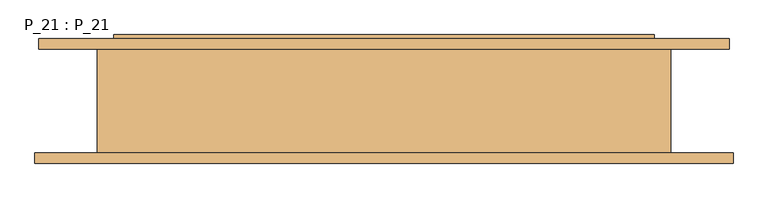
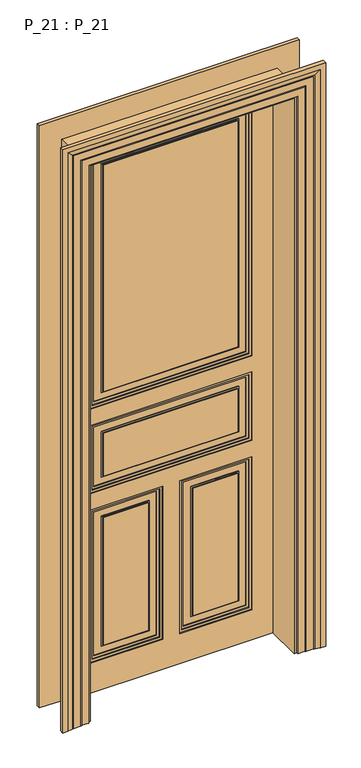
"""IFC4 building model written with IfcOpenShell, lengths in millimetres: door geometry, P_21 : P_21."""

from ifc_helpers import new_model, si_unit, frame, origin, origin_with_axes, place, context, project, spatial, polyline, outline, extrude, faceted_brep, source, transform, mapped, element, save


def p_21_p_21_d9c0b244(model_context):
    return source(origin(), model_context, "Body", "SolidModel", [
        extrude(outline(polyline([(790.0, -330.0), (130.0, -330.0), (130.0, -35.0), (790.0, -35.0), (790.0, -330.0)]), holes=[polyline([(780.0, -320.0), (780.0, -45.0), (140.0, -45.0), (140.0, -320.0), (780.0, -320.0)])]), frame((0.0, 72.0, 0.0), z_axis=(0.0, 1.0, 0.0), x_axis=(0.0, 0.0, 1.0)), (0.0, 0.0, 1.0), 8.0),
        extrude(outline(polyline([(130.0, 330.0), (790.0, 330.0), (790.0, 35.0), (130.0, 35.0), (130.0, 330.0)]), holes=[polyline([(780.0, 45.0), (780.0, 320.0), (140.0, 320.0), (140.0, 45.0), (780.0, 45.0)])]), frame((0.0, 72.0, 0.0), z_axis=(0.0, 1.0, 0.0), x_axis=(0.0, 0.0, 1.0)), (0.0, 0.0, 1.0), 8.0),
        extrude(outline(polyline([(1155.0, -330.0), (860.0, -330.0), (860.0, 330.0), (1155.0, 330.0), (1155.0, -330.0)]), holes=[polyline([(1145.0, -320.0), (1145.0, 320.0), (870.0, 320.0), (870.0, -320.0), (1145.0, -320.0)])]), frame((0.0, 72.0, 0.0), z_axis=(0.0, 1.0, 0.0), x_axis=(0.0, 0.0, 1.0)), (0.0, 0.0, 1.0), 8.0),
        extrude(outline(polyline([(2310.0, 330.0), (2310.0, -330.0), (1225.0, -330.0), (1225.0, 330.0), (2310.0, 330.0)]), holes=[polyline([(2300.0, 320.0), (1235.0, 320.0), (1235.0, -320.0), (2300.0, -320.0), (2300.0, 320.0)])]), frame((0.0, 72.0, 0.0), z_axis=(0.0, 1.0, 0.0), x_axis=(0.0, 0.0, 1.0)), (0.0, 0.0, 1.0), 8.0),
        extrude(outline(polyline([(0.0, 415.0), (2395.0, 415.0), (2395.0, -415.0), (0.0, -415.0), (0.0, 415.0)]), holes=[polyline([(790.0, -35.0), (130.0, -35.0), (130.0, -330.0), (790.0, -330.0), (790.0, -35.0)]), polyline([(130.0, 35.0), (790.0, 35.0), (790.0, 330.0), (130.0, 330.0), (130.0, 35.0)]), polyline([(1155.0, 330.0), (860.0, 330.0), (860.0, -330.0), (1155.0, -330.0), (1155.0, 330.0)]), polyline([(1225.0, 330.0), (1225.0, -330.0), (2310.0, -330.0), (2310.0, 330.0), (1225.0, 330.0)])]), frame((0.0, 68.0, 0.0), z_axis=(0.0, 1.0, 0.0), x_axis=(0.0, 0.0, 1.0)), (0.0, 0.0, 1.0), 12.0),
        extrude(outline(polyline([(420.0, 80.0), (-420.0, 80.0), (-420.0, 90.0), (420.0, 90.0), (420.0, 80.0)])), origin_with_axes(), (0.0, 0.0, 1.0), 2400.0),
        extrude(outline(polyline([(790.0, -330.0), (130.0, -330.0), (130.0, -35.0), (790.0, -35.0), (790.0, -330.0)]), holes=[polyline([(780.0, -320.0), (780.0, -45.0), (140.0, -45.0), (140.0, -320.0), (780.0, -320.0)])]), frame((0.0, 90.0, 0.0), z_axis=(0.0, 1.0, 0.0), x_axis=(0.0, 0.0, 1.0)), (0.0, 0.0, 1.0), 8.0),
        extrude(outline(polyline([(130.0, 330.0), (790.0, 330.0), (790.0, 35.0), (130.0, 35.0), (130.0, 330.0)]), holes=[polyline([(780.0, 45.0), (780.0, 320.0), (140.0, 320.0), (140.0, 45.0), (780.0, 45.0)])]), frame((0.0, 90.0, 0.0), z_axis=(0.0, 1.0, 0.0), x_axis=(0.0, 0.0, 1.0)), (0.0, 0.0, 1.0), 8.0),
        extrude(outline(polyline([(1155.0, -330.0), (860.0, -330.0), (860.0, 330.0), (1155.0, 330.0), (1155.0, -330.0)]), holes=[polyline([(1145.0, -320.0), (1145.0, 320.0), (870.0, 320.0), (870.0, -320.0), (1145.0, -320.0)])]), frame((0.0, 90.0, 0.0), z_axis=(0.0, 1.0, 0.0), x_axis=(0.0, 0.0, 1.0)), (0.0, 0.0, 1.0), 8.0),
        extrude(outline(polyline([(1225.0, 330.0), (2310.0, 330.0), (2310.0, -330.0), (1225.0, -330.0), (1225.0, 330.0)]), holes=[polyline([(2300.0, -320.0), (2300.0, 320.0), (1235.0, 320.0), (1235.0, -320.0), (2300.0, -320.0)])]), frame((0.0, 90.0, 0.0), z_axis=(0.0, 1.0, 0.0), x_axis=(0.0, 0.0, 1.0)), (0.0, 0.0, 1.0), 8.0),
        faceted_brep([(420.0, 90.0, 0.0), (420.0, 90.0, 2400.0), (-420.0, 90.0, 2400.0), (-420.0, 90.0, 0.0), (-35.0, 90.0, 790.0), (-35.0, 90.0, 130.0), (-330.0, 90.0, 130.0), (-330.0, 90.0, 790.0), (35.0, 90.0, 130.0), (35.0, 90.0, 790.0), (330.0, 90.0, 790.0), (330.0, 90.0, 130.0), (330.0, 90.0, 1155.0), (330.0, 90.0, 860.0), (-330.0, 90.0, 860.0), (-330.0, 90.0, 1155.0), (330.0, 90.0, 1225.0), (-330.0, 90.0, 1225.0), (-330.0, 90.0, 2310.0), (330.0, 90.0, 2310.0), (-35.0, 102.0, 790.0), (-35.0, 102.0, 130.0), (-330.0, 102.0, 130.0), (-330.0, 102.0, 790.0), (35.0, 102.0, 130.0), (35.0, 102.0, 790.0), (330.0, 102.0, 790.0), (330.0, 102.0, 130.0), (420.0, 95.0, 0.0), (420.0, 95.0, 2400.0), (-420.0, 95.0, 2400.0), (-420.0, 95.0, 0.0), (-415.0, 95.0, 0.0), (-415.0, 102.0, 0.0), (415.0, 102.0, 0.0), (415.0, 95.0, 0.0), (330.0, 102.0, 1155.0), (330.0, 102.0, 860.0), (-330.0, 102.0, 860.0), (-330.0, 102.0, 1155.0), (-415.0, 102.0, 2395.0), (415.0, 102.0, 2395.0), (330.0, 102.0, 1225.0), (330.0, 102.0, 2310.0), (-330.0, 102.0, 2310.0), (-330.0, 102.0, 1225.0), (-415.0, 95.0, 2395.0), (415.0, 95.0, 2395.0)], [[[0, 1, 2, 3], [4, 5, 6, 7], [8, 9, 10, 11], [12, 13, 14, 15], [16, 17, 18, 19]], [[5, 4, 20, 21]], [[6, 5, 21, 22]], [[7, 6, 22, 23]], [[4, 7, 23, 20]], [[9, 8, 24, 25]], [[10, 9, 25, 26]], [[11, 10, 26, 27]], [[8, 11, 27, 24]], [[0, 28, 29, 1]], [[3, 2, 30, 31]], [[0, 3, 31, 32, 33, 34, 35, 28]], [[13, 12, 36, 37]], [[14, 13, 37, 38]], [[15, 14, 38, 39]], [[12, 15, 39, 36]], [[34, 33, 40, 41], [20, 23, 22, 21], [24, 27, 26, 25], [36, 39, 38, 37], [42, 43, 44, 45]], [[40, 33, 32, 46]], [[34, 41, 47, 35]], [[28, 35, 47, 46, 32, 31, 30, 29]], [[19, 18, 44, 43]], [[16, 19, 43, 42]], [[18, 17, 45, 44]], [[1, 29, 30, 2]], [[41, 40, 46, 47]], [[17, 16, 42, 45]]]),
        faceted_brep([(530.0, 80.0, 0.0), (440.0, 80.0, 0.0), (440.0, -80.0, 0.0), (536.0, -80.0, 0.0), (536.0, -96.0, 0.0), (516.0, -96.0, 0.0), (496.0, -92.0291126, 0.0), (496.0, -91.0291126, 0.0), (491.0, -91.0291126, 0.0), (491.0, -90.0291126, 0.0), (461.0, -90.0291126, 0.0), (461.0, -89.0291126, 0.0), (456.0, -89.0291126, 0.0), (456.0, -88.0291126, 0.0), (426.0, -88.0291126, 0.0), (426.0, -80.0, 0.0), (416.0, -80.0, 0.0), (416.0, 80.0, 0.0), (426.0, 80.0, 0.0), (426.0, 88.0291126, 0.0), (456.0, 88.0291126, 0.0), (456.0, 89.0291126, 0.0), (461.0, 89.0291126, 0.0), (461.0, 90.0291126, 0.0), (485.0, 90.0291126, 0.0), (485.0, 91.0291126, 0.0), (490.0, 91.0291126, 0.0), (490.0, 92.0291126, 0.0), (510.0, 96.0, 0.0), (530.0, 96.0, 0.0), (530.0, 80.0, 2510.0), (-530.0, 80.0, 2510.0), (-530.0, 80.0, 0.0), (-440.0, 80.0, 0.0), (-440.0, 80.0, 2420.0), (440.0, 80.0, 2420.0), (440.0, -80.0, 2420.0), (-440.0, -80.0, 2420.0), (-440.0, -80.0, 0.0), (-536.0, -80.0, 0.0), (-536.0, -80.0, 2516.0), (536.0, -80.0, 2516.0), (536.0, -96.0, 2516.0), (-536.0, -96.0, 2516.0), (-536.0, -96.0, 0.0), (-516.0, -96.0, 0.0), (-516.0, -96.0, 2496.0), (516.0, -96.0, 2496.0), (496.0, -92.0291126, 2476.0), (496.0, -91.0291126, 2476.0), (-496.0, -91.0291126, 2476.0), (-496.0, -91.0291126, 0.0), (-491.0, -91.0291126, 0.0), (-491.0, -91.0291126, 2471.0), (491.0, -91.0291126, 2471.0), (491.0, -90.0291126, 2471.0), (-491.0, -90.0291126, 2471.0), (-491.0, -90.0291126, 0.0), (-461.0, -90.0291126, 0.0), (-461.0, -90.0291126, 2441.0), (461.0, -90.0291126, 2441.0), (461.0, -89.0291126, 2441.0), (-461.0, -89.0291126, 2441.0), (-461.0, -89.0291126, 0.0), (-456.0, -89.0291126, 0.0), (-456.0, -89.0291126, 2436.0), (456.0, -89.0291126, 2436.0), (456.0, -88.0291126, 2436.0), (-456.0, -88.0291126, 2436.0), (-456.0, -88.0291126, 0.0), (-426.0, -88.0291126, 0.0), (-426.0, -88.0291126, 2406.0), (426.0, -88.0291126, 2406.0), (426.0, -80.0, 2406.0), (-426.0, -80.0, 2406.0), (-426.0, -80.0, 0.0), (-416.0, -80.0, 0.0), (-416.0, -80.0, 2396.0), (416.0, -80.0, 2396.0), (416.0, 80.0, 2396.0), (-416.0, 80.0, 2396.0), (-416.0, 80.0, 0.0), (-426.0, 80.0, 0.0), (-426.0, 80.0, 2406.0), (426.0, 80.0, 2406.0), (426.0, 88.0291126, 2406.0), (-426.0, 88.0291126, 2406.0), (-426.0, 88.0291126, 0.0), (-456.0, 88.0291126, 0.0), (-456.0, 88.0291126, 2436.0), (456.0, 88.0291126, 2436.0), (456.0, 89.0291126, 2436.0), (-456.0, 89.0291126, 2436.0), (-456.0, 89.0291126, 0.0), (-461.0, 89.0291126, 0.0), (-461.0, 89.0291126, 2441.0), (461.0, 89.0291126, 2441.0), (461.0, 90.0291126, 2441.0), (-461.0, 90.0291126, 2441.0), (-461.0, 90.0291126, 0.0), (-485.0, 90.0291126, 0.0), (-485.0, 90.0291126, 2465.0), (485.0, 90.0291126, 2465.0), (485.0, 91.0291126, 2465.0), (-485.0, 91.0291126, 2465.0), (-485.0, 91.0291126, 0.0), (-490.0, 91.0291126, 0.0), (-490.0, 91.0291126, 2470.0), (490.0, 91.0291126, 2470.0), (490.0, 92.0291126, 2470.0), (510.0, 96.0, 2490.0), (-510.0, 96.0, 2490.0), (-510.0, 96.0, 0.0), (-530.0, 96.0, 0.0), (-530.0, 96.0, 2510.0), (530.0, 96.0, 2510.0), (-490.0, 92.0291126, 0.0), (-496.0, -92.0291126, 0.0), (-490.0, 92.0291126, 2470.0), (-496.0, -92.0291126, 2476.0)], [[[0, 1, 2, 3, 4, 5, 6, 7, 8, 9, 10, 11, 12, 13, 14, 15, 16, 17, 18, 19, 20, 21, 22, 23, 24, 25, 26, 27, 28, 29]], [[1, 0, 30, 31, 32, 33, 34, 35]], [[2, 1, 35, 36]], [[3, 2, 36, 37, 38, 39, 40, 41]], [[4, 3, 41, 42]], [[5, 4, 42, 43, 44, 45, 46, 47]], [[6, 5, 47, 48]], [[7, 6, 48, 49]], [[8, 7, 49, 50, 51, 52, 53, 54]], [[9, 8, 54, 55]], [[10, 9, 55, 56, 57, 58, 59, 60]], [[11, 10, 60, 61]], [[12, 11, 61, 62, 63, 64, 65, 66]], [[13, 12, 66, 67]], [[14, 13, 67, 68, 69, 70, 71, 72]], [[15, 14, 72, 73]], [[16, 15, 73, 74, 75, 76, 77, 78]], [[17, 16, 78, 79]], [[18, 17, 79, 80, 81, 82, 83, 84]], [[19, 18, 84, 85]], [[20, 19, 85, 86, 87, 88, 89, 90]], [[21, 20, 90, 91]], [[22, 21, 91, 92, 93, 94, 95, 96]], [[23, 22, 96, 97]], [[24, 23, 97, 98, 99, 100, 101, 102]], [[25, 24, 102, 103]], [[26, 25, 103, 104, 105, 106, 107, 108]], [[27, 26, 108, 109]], [[28, 27, 109, 110]], [[29, 28, 110, 111, 112, 113, 114, 115]], [[0, 29, 115, 30]], [[31, 114, 113, 32]], [[32, 113, 112, 116, 106, 105, 100, 99, 94, 93, 88, 87, 82, 81, 76, 75, 70, 69, 64, 63, 58, 57, 52, 51, 117, 45, 44, 39, 38, 33]], [[37, 34, 33, 38]], [[74, 71, 70, 75]], [[80, 77, 76, 81]], [[86, 83, 82, 87]], [[111, 118, 116, 112]], [[118, 107, 106, 116]], [[104, 101, 100, 105]], [[98, 95, 94, 99]], [[92, 89, 88, 93]], [[68, 65, 64, 69]], [[62, 59, 58, 63]], [[56, 53, 52, 57]], [[50, 119, 117, 51]], [[119, 46, 45, 117]], [[43, 40, 39, 44]], [[30, 115, 114, 31]], [[36, 35, 34, 37]], [[73, 72, 71, 74]], [[79, 78, 77, 80]], [[85, 84, 83, 86]], [[91, 90, 89, 92]], [[97, 96, 95, 98]], [[103, 102, 101, 104]], [[109, 108, 107, 118]], [[110, 109, 118, 111]], [[42, 41, 40, 43]], [[48, 47, 46, 119]], [[49, 48, 119, 50]], [[55, 54, 53, 56]], [[61, 60, 59, 62]], [[67, 66, 65, 68]]]),
        extrude(outline(polyline([(780.0, 45.0), (140.0, 45.0), (140.0, 320.0), (780.0, 320.0), (780.0, 45.0)]), holes=[polyline([(770.0, 55.0), (770.0, 310.0), (150.0, 310.0), (150.0, 55.0), (770.0, 55.0)])]), frame((0.0, 76.0, 0.0), z_axis=(0.0, 1.0, 0.0), x_axis=(0.0, 0.0, 1.0)), (0.0, 0.0, 1.0), 4.0),
        extrude(outline(polyline([(780.0, -320.0), (140.0, -320.0), (140.0, -45.0), (780.0, -45.0), (780.0, -320.0)]), holes=[polyline([(770.0, -310.0), (770.0, -55.0), (150.0, -55.0), (150.0, -310.0), (770.0, -310.0)])]), frame((0.0, 76.0, 0.0), z_axis=(0.0, 1.0, 0.0), x_axis=(0.0, 0.0, 1.0)), (0.0, 0.0, 1.0), 4.0),
        extrude(outline(polyline([(740.0, 85.0), (180.0, 85.0), (180.0, 280.0), (740.0, 280.0), (740.0, 85.0)]), holes=[polyline([(735.0, 90.0), (735.0, 275.0), (185.0, 275.0), (185.0, 90.0), (735.0, 90.0)])]), frame((0.0, 76.0, 0.0), z_axis=(0.0, 1.0, 0.0), x_axis=(0.0, 0.0, 1.0)), (0.0, 0.0, 1.0), 4.0),
        extrude(outline(polyline([(740.0, -280.0), (180.0, -280.0), (180.0, -85.0), (740.0, -85.0), (740.0, -280.0)]), holes=[polyline([(735.0, -275.0), (735.0, -90.0), (185.0, -90.0), (185.0, -275.0), (735.0, -275.0)])]), frame((0.0, 76.0, 0.0), z_axis=(0.0, 1.0, 0.0), x_axis=(0.0, 0.0, 1.0)), (0.0, 0.0, 1.0), 4.0),
        extrude(outline(polyline([(1145.0, -320.0), (870.0, -320.0), (870.0, 320.0), (1145.0, 320.0), (1145.0, -320.0)]), holes=[polyline([(1135.0, -310.0), (1135.0, 310.0), (880.0, 310.0), (880.0, -310.0), (1135.0, -310.0)])]), frame((0.0, 76.0, 0.0), z_axis=(0.0, 1.0, 0.0), x_axis=(0.0, 0.0, 1.0)), (0.0, 0.0, 1.0), 4.0),
        extrude(outline(polyline([(1105.0, -280.0), (910.0, -280.0), (910.0, 280.0), (1105.0, 280.0), (1105.0, -280.0)]), holes=[polyline([(1100.0, -275.0), (1100.0, 275.0), (915.0, 275.0), (915.0, -275.0), (1100.0, -275.0)])]), frame((0.0, 76.0, 0.0), z_axis=(0.0, 1.0, 0.0), x_axis=(0.0, 0.0, 1.0)), (0.0, 0.0, 1.0), 4.0),
        extrude(outline(polyline([(2300.0, 320.0), (2300.0, -320.0), (1235.0, -320.0), (1235.0, 320.0), (2300.0, 320.0)]), holes=[polyline([(2290.0, 310.0), (1245.0, 310.0), (1245.0, -310.0), (2290.0, -310.0), (2290.0, 310.0)])]), frame((0.0, 76.0, 0.0), z_axis=(0.0, 1.0, 0.0), x_axis=(0.0, 0.0, 1.0)), (0.0, 0.0, 1.0), 4.0),
        extrude(outline(polyline([(2260.0, 280.0), (2260.0, -280.0), (1275.0, -280.0), (1275.0, 280.0), (2260.0, 280.0)]), holes=[polyline([(2255.0, 275.0), (1280.0, 275.0), (1280.0, -275.0), (2255.0, -275.0), (2255.0, 275.0)])]), frame((0.0, 76.0, 0.0), z_axis=(0.0, 1.0, 0.0), x_axis=(0.0, 0.0, 1.0)), (0.0, 0.0, 1.0), 4.0),
        extrude(outline(polyline([(90.0, 80.0), (275.0, 80.0), (275.0, 72.0), (90.0, 72.0), (90.0, 80.0)])), frame((0.0, 0.0, 185.0), z_axis=(0.0, 0.0, 1.0), x_axis=(1.0, 0.0, 0.0)), (0.0, 0.0, 1.0), 550.0),
        extrude(outline(polyline([(-275.0, 80.0), (-90.0, 80.0), (-90.0, 72.0), (-275.0, 72.0), (-275.0, 80.0)])), frame((0.0, 0.0, 185.0), z_axis=(0.0, 0.0, 1.0), x_axis=(1.0, 0.0, 0.0)), (0.0, 0.0, 1.0), 550.0),
        extrude(outline(polyline([(-275.0, 80.0), (275.0, 80.0), (275.0, 72.0), (-275.0, 72.0), (-275.0, 80.0)])), frame((0.0, 0.0, 915.0), z_axis=(0.0, 0.0, 1.0), x_axis=(1.0, 0.0, 0.0)), (0.0, 0.0, 1.0), 185.0),
        extrude(outline(polyline([(-275.0, 80.0), (275.0, 80.0), (275.0, 72.0), (-275.0, 72.0), (-275.0, 80.0)])), frame((0.0, 0.0, 1280.0), z_axis=(0.0, 0.0, 1.0), x_axis=(1.0, 0.0, 0.0)), (0.0, 0.0, 1.0), 975.0),
        extrude(outline(polyline([(275.0, 90.0), (90.0, 90.0), (90.0, 98.0), (275.0, 98.0), (275.0, 90.0)])), frame((0.0, 0.0, 185.0), z_axis=(0.0, 0.0, 1.0), x_axis=(1.0, 0.0, 0.0)), (0.0, 0.0, 1.0), 550.0),
        extrude(outline(polyline([(-90.0, 90.0), (-275.0, 90.0), (-275.0, 98.0), (-90.0, 98.0), (-90.0, 90.0)])), frame((0.0, 0.0, 185.0), z_axis=(0.0, 0.0, 1.0), x_axis=(1.0, 0.0, 0.0)), (0.0, 0.0, 1.0), 550.0),
        extrude(outline(polyline([(275.0, 90.0), (-275.0, 90.0), (-275.0, 98.0), (275.0, 98.0), (275.0, 90.0)])), frame((0.0, 0.0, 915.0), z_axis=(0.0, 0.0, 1.0), x_axis=(1.0, 0.0, 0.0)), (0.0, 0.0, 1.0), 185.0),
        extrude(outline(polyline([(275.0, 90.0), (-275.0, 90.0), (-275.0, 98.0), (275.0, 98.0), (275.0, 90.0)])), frame((0.0, 0.0, 1280.0), z_axis=(0.0, 0.0, 1.0), x_axis=(1.0, 0.0, 0.0)), (0.0, 0.0, 1.0), 975.0),
        extrude(outline(polyline([(780.0, 45.0), (140.0, 45.0), (140.0, 320.0), (780.0, 320.0), (780.0, 45.0)]), holes=[polyline([(770.0, 55.0), (770.0, 310.0), (150.0, 310.0), (150.0, 55.0), (770.0, 55.0)])]), frame((0.0, 90.0, 0.0), z_axis=(0.0, 1.0, 0.0), x_axis=(0.0, 0.0, 1.0)), (0.0, 0.0, 1.0), 4.0),
        extrude(outline(polyline([(780.0, -320.0), (140.0, -320.0), (140.0, -45.0), (780.0, -45.0), (780.0, -320.0)]), holes=[polyline([(770.0, -310.0), (770.0, -55.0), (150.0, -55.0), (150.0, -310.0), (770.0, -310.0)])]), frame((0.0, 90.0, 0.0), z_axis=(0.0, 1.0, 0.0), x_axis=(0.0, 0.0, 1.0)), (0.0, 0.0, 1.0), 4.0),
        extrude(outline(polyline([(740.0, 85.0), (180.0, 85.0), (180.0, 280.0), (740.0, 280.0), (740.0, 85.0)]), holes=[polyline([(735.0, 90.0), (735.0, 275.0), (185.0, 275.0), (185.0, 90.0), (735.0, 90.0)])]), frame((0.0, 90.0, 0.0), z_axis=(0.0, 1.0, 0.0), x_axis=(0.0, 0.0, 1.0)), (0.0, 0.0, 1.0), 4.0),
        extrude(outline(polyline([(740.0, -280.0), (180.0, -280.0), (180.0, -85.0), (740.0, -85.0), (740.0, -280.0)]), holes=[polyline([(735.0, -275.0), (735.0, -90.0), (185.0, -90.0), (185.0, -275.0), (735.0, -275.0)])]), frame((0.0, 90.0, 0.0), z_axis=(0.0, 1.0, 0.0), x_axis=(0.0, 0.0, 1.0)), (0.0, 0.0, 1.0), 4.0),
        extrude(outline(polyline([(1145.0, -320.0), (870.0, -320.0), (870.0, 320.0), (1145.0, 320.0), (1145.0, -320.0)]), holes=[polyline([(1135.0, -310.0), (1135.0, 310.0), (880.0, 310.0), (880.0, -310.0), (1135.0, -310.0)])]), frame((0.0, 90.0, 0.0), z_axis=(0.0, 1.0, 0.0), x_axis=(0.0, 0.0, 1.0)), (0.0, 0.0, 1.0), 4.0),
        extrude(outline(polyline([(1105.0, -280.0), (910.0, -280.0), (910.0, 280.0), (1105.0, 280.0), (1105.0, -280.0)]), holes=[polyline([(1100.0, -275.0), (1100.0, 275.0), (915.0, 275.0), (915.0, -275.0), (1100.0, -275.0)])]), frame((0.0, 90.0, 0.0), z_axis=(0.0, 1.0, 0.0), x_axis=(0.0, 0.0, 1.0)), (0.0, 0.0, 1.0), 4.0),
        extrude(outline(polyline([(2300.0, -320.0), (1235.0, -320.0), (1235.0, 320.0), (2300.0, 320.0), (2300.0, -320.0)]), holes=[polyline([(2290.0, -310.0), (2290.0, 310.0), (1245.0, 310.0), (1245.0, -310.0), (2290.0, -310.0)])]), frame((0.0, 90.0, 0.0), z_axis=(0.0, 1.0, 0.0), x_axis=(0.0, 0.0, 1.0)), (0.0, 0.0, 1.0), 4.0),
        extrude(outline(polyline([(2260.0, -280.0), (1275.0, -280.0), (1275.0, 280.0), (2260.0, 280.0), (2260.0, -280.0)]), holes=[polyline([(2255.0, -275.0), (2255.0, 275.0), (1280.0, 275.0), (1280.0, -275.0), (2255.0, -275.0)])]), frame((0.0, 90.0, 0.0), z_axis=(0.0, 1.0, 0.0), x_axis=(0.0, 0.0, 1.0)), (0.0, 0.0, 1.0), 4.0),
    ])


if __name__ == "__main__":
    model = new_model("IFC4")
    model_context = context("Model", 3, world=origin())
    ifc_project = project(units=[si_unit("LENGTHUNIT", "METRE", prefix="MILLI")], contexts=[model_context])
    site = spatial("IfcSite", under=ifc_project)
    building = spatial("IfcBuilding", under=site)
    placement = place(None, origin())
    p_21_p_21_shape = p_21_p_21_d9c0b244(model_context)
    element("IfcDoor", 1, ObjectType="P_21 : P_21", at=placement, inside=building, context=model_context, shape_type="MappedRepresentation", body=[
        mapped(p_21_p_21_shape, transform((0.0, 0.0, 0.0), x_axis=(1.0, 0.0, 0.0), y_axis=(0.0, 1.0, 0.0), z_axis=(0.0, 0.0, 1.0))),
    ])
    save(model, "model.ifc")
